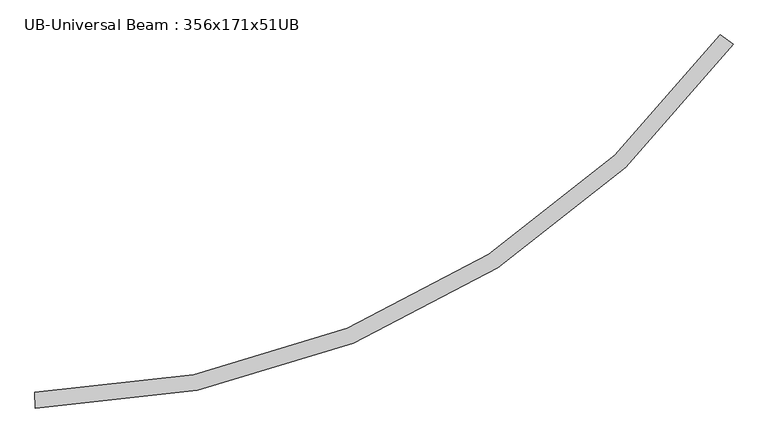
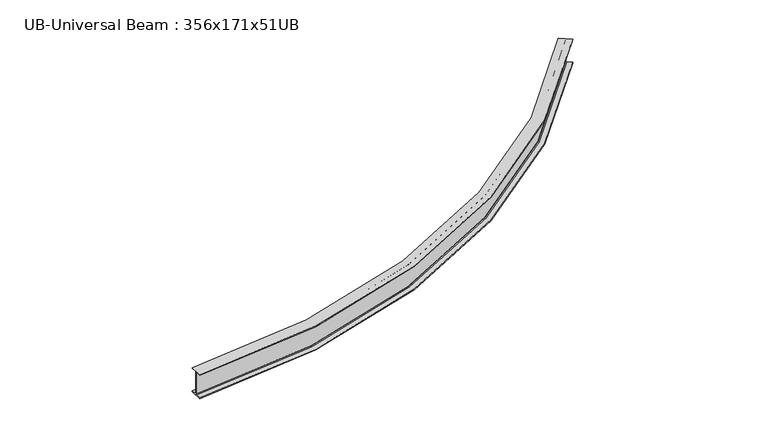
"""IFC4 building model written with IfcOpenShell, lengths in millimetres: beam geometry, UB-Universal Beam : 356x171x51UB."""

import ifcopenshell
import ifcopenshell.guid

model = None  # the IFC model being written
_history = None  # IfcOwnerHistory: only IFC2X3 demands one
_inside = {}  # id of a spatial element -> (the spatial element, [elements in it])
_under = {}  # id of a project, library or spatial element -> (it, [spatial elements below it])
_declared = {}  # id of a project -> (the project, [libraries it declares])
_typed = {}  # id of a type object -> (the type object, [elements of that type])
_made_of = {}  # id of a material, layer set ... -> (it, [elements and type objects made of it])


def new_model(schema):
    """Start an empty IFC model of exactly this schema.

    Asked for "IFC4X3", IfcOpenShell would pick the latest addendum, in which some entities
    have other attributes; the version numbers below select the first issue.
    IFC2X3 requires an IfcOwnerHistory on every rooted entity: one is made here for all.
    """
    global model, _history
    if schema == "IFC4X3":
        model = ifcopenshell.file(schema_version=(4, 3, 0, 0))
    else:
        model = ifcopenshell.file(schema=schema)
    _inside.clear()
    _under.clear()
    _declared.clear()
    _typed.clear()
    _made_of.clear()
    _history = None
    if model.schema == "IFC2X3":
        org = make("IfcOrganization", Name="unknown")
        user = make(
            "IfcPersonAndOrganization",
            ThePerson=make("IfcPerson", FamilyName="unknown"),
            TheOrganization=org,
        )
        app = make(
            "IfcApplication",
            ApplicationDeveloper=org,
            Version="unknown",
            ApplicationFullName="unknown",
            ApplicationIdentifier="unknown",
        )
        _history = make(
            "IfcOwnerHistory",
            OwningUser=user,
            OwningApplication=app,
            ChangeAction="ADDED",
            CreationDate=0,
        )
    return model


def make(cls, **values):
    """One entity of the class cls with the attributes given. An attribute that is None is left unset."""
    return model.create_entity(
        cls, **{name: value for name, value in values.items() if value is not None}
    )


def rooted(cls, **values):
    """An entity with a GlobalId (a new one), such as an element, a storey or a relation."""
    return make(cls, GlobalId=ifcopenshell.guid.new(), OwnerHistory=_history, **values)


def si_unit(unit_type, name, prefix=None):
    """IfcSIUnit, for example si_unit("LENGTHUNIT", "METRE", prefix="MILLI")."""
    return make("IfcSIUnit", UnitType=unit_type, Prefix=prefix, Name=name)


def assignment(units):
    """IfcUnitAssignment: the units of a project."""
    return None if units is None else make("IfcUnitAssignment", Units=units)


def point(xyz):
    """IfcCartesianPoint."""
    return None if xyz is None else make("IfcCartesianPoint", Coordinates=xyz)


def direction(xyz):
    """IfcDirection."""
    return None if xyz is None else make("IfcDirection", DirectionRatios=xyz)


def frame(location, z_axis=None, x_axis=None):
    """IfcAxis2Placement3D, a coordinate frame: its origin and axes. An axis left out is left unset."""
    return make(
        "IfcAxis2Placement3D",
        Location=point(location),
        Axis=direction(z_axis),
        RefDirection=direction(x_axis),
    )


def origin():
    """The frame at (0, 0, 0) with its axes left unset."""
    return frame((0.0, 0.0, 0.0))


def place(relative_to, where):
    """IfcLocalPlacement: puts the frame where relative to a parent placement (None: the world)."""
    return make(
        "IfcLocalPlacement", PlacementRelTo=relative_to, RelativePlacement=where
    )


def context(
    kind, dimensions, precision=None, world=None, true_north=None, identifier=None
):
    """IfcGeometricRepresentationContext, for example the 3D "Model" context."""
    return make(
        "IfcGeometricRepresentationContext",
        ContextIdentifier=identifier,
        ContextType=kind,
        CoordinateSpaceDimension=dimensions,
        Precision=precision,
        WorldCoordinateSystem=world,
        TrueNorth=true_north,
    )


def project(units=None, contexts=None):
    """IfcProject with its units and contexts."""
    return rooted(
        "IfcProject",
        Name="project",
        RepresentationContexts=contexts,
        UnitsInContext=assignment(units),
    )


def spatial(cls, under=None, at=None, **own):
    """A site, building, storey or space (cls), placed at a placement, below another one or the project."""
    s = rooted(cls, ObjectPlacement=at, **own)
    if under is not None:
        _under.setdefault(under.id(), (under, []))[1].append(s)
    return s


def polyline(points):
    """IfcPolyline through the points."""
    return make("IfcPolyline", Points=[point(p) for p in points])


def circle_curve(where, radius):
    """IfcCircle in the frame where."""
    return make("IfcCircle", Position=where, Radius=radius)


def ellipse_curve(where, semi_axis1, semi_axis2):
    """IfcEllipse in the frame where."""
    return make(
        "IfcEllipse", Position=where, SemiAxis1=semi_axis1, SemiAxis2=semi_axis2
    )


def trimmed(basis, trim1, trim2, sense, master):
    """IfcTrimmedCurve: the piece of a basis curve between two trims."""
    return make(
        "IfcTrimmedCurve",
        BasisCurve=basis,
        Trim1=trim1,
        Trim2=trim2,
        SenseAgreement=sense,
        MasterRepresentation=master,
    )


def shape(context_of_items, identifier, shape_type, items):
    """IfcShapeRepresentation: the items that make up one representation, for example the "Body"."""
    return make(
        "IfcShapeRepresentation",
        ContextOfItems=context_of_items,
        RepresentationIdentifier=identifier,
        RepresentationType=shape_type,
        Items=items,
    )


def source(mapping_origin, context_of_items, identifier, shape_type, items):
    """IfcRepresentationMap: a shape defined once, which mapped items show again and again."""
    return make(
        "IfcRepresentationMap",
        MappingOrigin=mapping_origin,
        MappedRepresentation=shape(context_of_items, identifier, shape_type, items),
    )


def transform(
    local_origin,
    x_axis=None,
    y_axis=None,
    z_axis=None,
    scale=None,
    scale2=None,
    scale3=None,
    uniform=True,
):
    """IfcCartesianTransformationOperator3D, or its non-uniform kind. x_axis, y_axis, z_axis: its Axis1, 2, 3."""
    if uniform:
        return make(
            "IfcCartesianTransformationOperator3D",
            Axis1=direction(x_axis),
            Axis2=direction(y_axis),
            LocalOrigin=point(local_origin),
            Scale=scale,
            Axis3=direction(z_axis),
        )
    return make(
        "IfcCartesianTransformationOperator3DnonUniform",
        Axis1=direction(x_axis),
        Axis2=direction(y_axis),
        LocalOrigin=point(local_origin),
        Scale=scale,
        Axis3=direction(z_axis),
        Scale2=scale2,
        Scale3=scale3,
    )


def mapped(mapping_source, mapping_target):
    """IfcMappedItem: shows the shape of a source again, moved by a transform."""
    return make(
        "IfcMappedItem", MappingSource=mapping_source, MappingTarget=mapping_target
    )


def made_of(thing, what):
    """Note that an element or type object is made of a material, layer set ...; save() writes the relation."""
    if what is not None:
        _made_of.setdefault(what.id(), (what, []))[1].append(thing)
    return thing


def element(
    cls,
    number,
    at=None,
    inside=None,
    cuts=None,
    type_object=None,
    material=None,
    context=None,
    identifier="Body",
    shape_type=None,
    held_by="IfcProductDefinitionShape",
    body=None,
    shapes=None,
    **own,
):
    """One element of the class cls, such as IfcWall. Its Tag is "e" and its number.

    at: its placement. inside: the storey or other place that contains it. cuts: it is an
    opening in that element (IfcRelVoidsElement). A single representation is given by context,
    identifier, shape_type and body (its items); several are given by shapes. held_by: the class
    of the entity that holds the representations. save() writes the other relations.
    """
    e = rooted(cls, Tag="e%d" % number, ObjectPlacement=at, **own)
    if body is not None:
        shapes = [shape(context, identifier, shape_type, body)]
    if shapes is not None:
        e.Representation = make(held_by, Representations=shapes)
    if inside is not None:
        _inside.setdefault(inside.id(), (inside, []))[1].append(e)
    if cuts is not None:
        rooted(
            "IfcRelVoidsElement", RelatingBuildingElement=cuts, RelatedOpeningElement=e
        )
    if type_object is not None:
        _typed.setdefault(type_object.id(), (type_object, []))[1].append(e)
    return made_of(e, material)


def aggregate(whole, parts):
    """IfcRelAggregates: a whole, such as a stair, and the parts it consists of."""
    return rooted("IfcRelAggregates", RelatingObject=whole, RelatedObjects=parts)


def save(model, path):
    """Write the relations noted so far, then the file.

    IfcRelAggregates (storeys below a building ...), IfcRelContainedInSpatialStructure (elements
    in a storey), IfcRelDefinesByType, IfcRelAssociatesMaterial and IfcRelDeclares: one each for
    every whole, place, type object, material and project.
    """
    for whole, parts in _under.values():
        aggregate(whole, parts)
    for where, things in _inside.values():
        rooted(
            "IfcRelContainedInSpatialStructure",
            RelatedElements=things,
            RelatingStructure=where,
        )
    for kind, things in _typed.values():
        rooted("IfcRelDefinesByType", RelatedObjects=things, RelatingType=kind)
    for what, things in _made_of.values():
        rooted("IfcRelAssociatesMaterial", RelatedObjects=things, RelatingMaterial=what)
    for by, libraries in _declared.values():
        rooted("IfcRelDeclares", RelatingContext=by, RelatedDefinitions=libraries)
    model.write(path)


def plane_surface(at):
    """IfcPlane: the flat surface through the origin of the frame at, square to its z axis."""
    return make("IfcPlane", Position=at)


def cylinder_surface(at, radius):
    """IfcCylindricalSurface: all points at the distance radius from the z axis of the frame at."""
    return make("IfcCylindricalSurface", Position=at, Radius=radius)


def revolved_surface(curve, axis_point, axis_direction):
    """IfcSurfaceOfRevolution: the curve turned about the line through axis_point along axis_direction."""
    return make(
        "IfcSurfaceOfRevolution",
        SweptCurve=make("IfcArbitraryOpenProfileDef", ProfileType="CURVE", Curve=curve),
        AxisPosition=make("IfcAxis1Placement", Location=point(axis_point), Axis=direction(axis_direction)),
    )


def advanced_brep(points, edges, surfaces, faces):
    """IfcAdvancedBrep: a solid bounded by faces that lie on surfaces and meet in shared edges.

    An edge is (start, end): straight between two places in points (the first is 0);
    or (start, end, curve); or (start, end, curve, False) where it runs against its curve.
    A face is (place in surfaces, loops), or (place, loops, False) where it looks against
    its surface's normal. A loop lists edges by number (the first is 1), with a minus sign
    where the edge is run from its end to its start. The first loop is the outer one.
    """
    corners = [point(p) for p in points]
    vertices = [make("IfcVertexPoint", VertexGeometry=c) for c in corners]
    made = []
    for start, end, *more in edges:
        made.append(
            make(
                "IfcEdgeCurve",
                EdgeStart=vertices[start],
                EdgeEnd=vertices[end],
                EdgeGeometry=more[0] if more else make("IfcPolyline", Points=[corners[start], corners[end]]),
                SameSense=more[1] if len(more) > 1 else True,
            )
        )
    hull = []
    for where, loops, *sense in faces:
        bounds = []
        for j, loop in enumerate(loops):
            ring = [make("IfcOrientedEdge", EdgeElement=made[abs(k) - 1], Orientation=k > 0) for k in loop]
            bounds.append(
                make(
                    "IfcFaceOuterBound" if j == 0 else "IfcFaceBound",
                    Bound=make("IfcEdgeLoop", EdgeList=ring),
                    Orientation=True,
                )
            )
        hull.append(make("IfcAdvancedFace", Bounds=bounds, FaceSurface=surfaces[where], SameSense=sense[0] if sense else True))
    return make("IfcAdvancedBrep", Outer=make("IfcClosedShell", CfsFaces=hull))


def ub_universal_beam_356x171x51ub_0003f411(model_context):
    return source(origin(), model_context, "Body", "AdvancedBrep", [
        advanced_brep(
        [(7453.0391297, 3896.5366, -166.0), (7511.2861057, 3854.4686516, -166.0), (7519.5549875, 3848.4965838, -155.8), (7519.5549875, 3848.4965838, 155.8), (7511.2861057, 3854.4686516, 166.0), (7453.0391297, 3896.5366, 166.0), (7453.0391297, 3896.5366, 177.5), (7592.0698379, 3796.1238908, 177.5), (7592.0698379, 3796.1238908, 166.0), (7533.8228619, 3838.1918393, 166.0), (7525.5539801, 3844.1639071, 155.8), (7525.5539801, 3844.1639071, -155.8), (7533.8228619, 3838.1918393, -166.0), (7592.0698379, 3796.1238908, -166.0), (7592.0698379, 3796.1238908, -177.5), (7453.0391297, 3896.5366, -177.5), (143.638913, 86.8721578, -166.0), (143.638913, 86.8721578, -177.5), (146.3183864, -84.6069092, -177.5), (146.3183864, -84.6069092, -166.0), (145.1958198, -12.7656791, -166.0), (145.0364576, -2.5669241, -155.8), (145.0364576, -2.5669241, 155.8), (145.1958198, -12.7656791, 166.0), (146.3183864, -84.6069092, 166.0), (146.3183864, -84.6069092, 177.5), (143.638913, 86.8721578, 177.5), (143.638913, 86.8721578, 166.0), (144.7614795, 15.0309277, 166.0), (144.9208418, 4.8321727, 155.8), (144.9208418, 4.8321727, -155.8), (144.7614795, 15.0309277, -166.0)],
        [
            (0, 1),
            (1, 2, circle_curve(frame((7511.2861057, 3854.4686516, -155.8), z_axis=(-0.5854968466959106, -0.8106746835254851, 0.0), x_axis=(0.8106746835254851, -0.5854968466959106, 0.0)), 10.2)),
            (2, 3),
            (3, 4, circle_curve(frame((7511.2861057, 3854.4686516, 155.8), z_axis=(-0.5854968466959106, -0.8106746835254851, 0.0), x_axis=(0.8106746835254851, -0.5854968466959106, 0.0)), 10.2)),
            (4, 5),
            (5, 6),
            (6, 7),
            (7, 8),
            (8, 9),
            (9, 10, circle_curve(frame((7533.8228619, 3838.1918393, 155.8), z_axis=(-0.5854968466959106, -0.8106746835254851, 0.0), x_axis=(0.8106746835254851, -0.5854968466959106, 0.0)), 10.2)),
            (10, 11),
            (11, 12, circle_curve(frame((7533.8228619, 3838.1918393, -155.8), z_axis=(-0.5854968466959106, -0.8106746835254851, 0.0), x_axis=(0.8106746835254851, -0.5854968466959106, 0.0)), 10.2)),
            (12, 13),
            (13, 14),
            (14, 15),
            (15, 0),
            (16, 17),
            (17, 18),
            (18, 19),
            (19, 20),
            (20, 21, circle_curve(frame((145.1958198, -12.7656791, -155.8), z_axis=(0.9998779417474206, 0.015623751372251412, 0.0), x_axis=(0.015623751372251412, -0.9998779417474206, 0.0)), 10.2)),
            (21, 22),
            (22, 23, circle_curve(frame((145.1958198, -12.7656791, 155.8), z_axis=(0.9998779417474206, 0.015623751372251412, 0.0), x_axis=(0.015623751372251412, -0.9998779417474206, 0.0)), 10.2)),
            (23, 24),
            (24, 25),
            (25, 26),
            (26, 27),
            (27, 28),
            (28, 29, circle_curve(frame((144.7614795, 15.0309277, 155.8), z_axis=(0.9998779417474206, 0.015623751372251412, 0.0), x_axis=(0.015623751372251412, -0.9998779417474206, 0.0)), 10.2)),
            (29, 30),
            (30, 31, circle_curve(frame((144.7614795, 15.0309277, -155.8), z_axis=(0.9998779417474206, 0.015623751372251412, 0.0), x_axis=(0.015623751372251412, -0.9998779417474206, 0.0)), 10.2)),
            (31, 16),
            (0, 16, circle_curve(frame((0.0, 9279.375114, -166.0), z_axis=(0.0, 0.0, -1.0), x_axis=(-0.9999979474994671, -0.002026079182298697, 0.0)), 9193.625114)),
            (31, 1, circle_curve(frame((0.0, 9279.375114, -166.0), z_axis=(0.0, 0.0, 1.0), x_axis=(-0.9999979474994671, -0.002026079182298697, 0.0)), 9265.475114)),
            (30, 2, circle_curve(frame((0.0, 9279.375114, -155.8), z_axis=(0.0, 0.0, 1.0), x_axis=(-0.9999979474994671, -0.002026079182298697, 0.0)), 9275.675114)),
            (29, 3, circle_curve(frame((0.0, 9279.375114, 155.8), z_axis=(0.0, 0.0, 1.0), x_axis=(-0.9999979474994671, -0.002026079182298697, 0.0)), 9275.675114)),
            (28, 4, circle_curve(frame((0.0, 9279.375114, 166.0), z_axis=(0.0, 0.0, 1.0), x_axis=(-0.9999979474994671, -0.002026079182298697, 0.0)), 9265.475114)),
            (27, 5, circle_curve(frame((0.0, 9279.375114, 166.0), z_axis=(0.0, 0.0, 1.0), x_axis=(-0.9999979474994671, -0.002026079182298697, 0.0)), 9193.625114)),
            (26, 6, circle_curve(frame((0.0, 9279.375114, 177.5), z_axis=(0.0, 0.0, 1.0), x_axis=(-0.9999979474994671, -0.002026079182298697, 0.0)), 9193.625114)),
            (25, 7, circle_curve(frame((0.0, 9279.375114, 177.5), z_axis=(0.0, 0.0, 1.0), x_axis=(-0.9999979474994671, -0.002026079182298697, 0.0)), 9365.125114)),
            (24, 8, circle_curve(frame((0.0, 9279.375114, 166.0), z_axis=(0.0, 0.0, 1.0), x_axis=(-0.9999979474994671, -0.002026079182298697, 0.0)), 9365.125114)),
            (23, 9, circle_curve(frame((0.0, 9279.375114, 166.0), z_axis=(0.0, 0.0, 1.0), x_axis=(-0.9999979474994671, -0.002026079182298697, 0.0)), 9293.275114)),
            (22, 10, circle_curve(frame((0.0, 9279.375114, 155.8), z_axis=(0.0, 0.0, 1.0), x_axis=(-0.9999979474994671, -0.002026079182298697, 0.0)), 9283.075114)),
            (21, 11, circle_curve(frame((0.0, 9279.375114, -155.8), z_axis=(0.0, 0.0, 1.0), x_axis=(-0.9999979474994671, -0.002026079182298697, 0.0)), 9283.075114)),
            (20, 12, circle_curve(frame((0.0, 9279.375114, -166.0), z_axis=(0.0, 0.0, 1.0), x_axis=(-0.9999979474994671, -0.002026079182298697, 0.0)), 9293.275114)),
            (19, 13, circle_curve(frame((0.0, 9279.375114, -166.0), z_axis=(0.0, 0.0, 1.0), x_axis=(-0.9999979474994671, -0.002026079182298697, 0.0)), 9365.125114)),
            (18, 14, circle_curve(frame((0.0, 9279.375114, -177.5), z_axis=(0.0, 0.0, 1.0), x_axis=(-0.9999979474994671, -0.002026079182298697, 0.0)), 9365.125114)),
            (17, 15, circle_curve(frame((0.0, 9279.375114, -177.5), z_axis=(0.0, 0.0, 1.0), x_axis=(-0.9999979474994671, -0.002026079182298697, 0.0)), 9193.625114)),
        ],
        [
            plane_surface(frame((7522.5544838, 3846.3302454, 0.0), z_axis=(0.5854968466959055, 0.8106746835254888, 0.0), x_axis=(0.0, 0.0, 1.0))),
            plane_surface(frame((144.9786497, 1.1326243, 0.0), z_axis=(-0.9998779417474205, -0.015623751372257692, 0.0), x_axis=(0.0, 0.0, 1.0))),
            plane_surface(frame((0.0, 9279.375114, -166.0), z_axis=(0.0, 0.0, 1.0), x_axis=(-0.9999979474994671, -0.002026079182298697, 0.0))),
            revolved_surface(trimmed(ellipse_curve(frame((-9265.4560966, 9260.6025277, -155.8), z_axis=(0.002026079182292417, -0.9999979474994671, 0.0), x_axis=(-0.9999979474994671, -0.002026079182292417, 0.0)), 10.2, 10.2), [point((-9275.6560756, 9260.5818617, -155.8))], [point((-9265.4560966, 9260.6025277, -166.0))], True, "CARTESIAN"), (0.0, 9279.375114, 0.0), (0.0, 0.0, 1.0)),
            revolved_surface(polyline([(-9275.656075671886, 9260.581861749759, 155.8), (-9275.656075671886, 9260.581861749759, -155.8)]), (0.0, 9279.375114, 0.0), (0.0, 0.0, 1.0)),
            revolved_surface(trimmed(ellipse_curve(frame((-9265.4560966, 9260.6025277, 155.8), z_axis=(0.002026079182292417, -0.9999979474994671, 0.0), x_axis=(-0.9999979474994671, -0.002026079182292417, 0.0)), 10.2, 10.2), [point((-9265.4560966, 9260.6025277, 166.0))], [point((-9275.6560756, 9260.5818617, 155.8))], True, "CARTESIAN"), (0.0, 9279.375114, 0.0), (0.0, 0.0, 1.0)),
            plane_surface(frame((0.0, 9279.375114, 166.0), z_axis=(0.0, 0.0, -1.0), x_axis=(-0.9999979474994671, -0.002026079182298697, 0.0))),
            revolved_surface(polyline([(-9193.606244079554, 9260.748101546667, 177.5), (-9193.606244079554, 9260.748101546667, 166.0)]), (0.0, 9279.375114, 0.0), (0.0, 0.0, 1.0)),
            plane_surface(frame((0.0, 9279.375114, 177.5), z_axis=(0.0, 0.0, 1.0), x_axis=(-0.9999979474994671, -0.002026079182298697, 0.0))),
            cylinder_surface(frame((0.0, 9279.375114, 0.0), z_axis=(0.0, 0.0, 1.0), x_axis=(-0.9999979474994671, -0.002026079182298697, 0.0)), 9365.125114),
            revolved_surface(trimmed(ellipse_curve(frame((-9293.2560395, 9260.5462027, 155.8), z_axis=(0.002026079182292417, -0.9999979474994671, 0.0), x_axis=(-0.9999979474994671, -0.002026079182292417, 0.0)), 10.2, 10.2), [point((-9283.0560604, 9260.5668687, 155.8))], [point((-9293.2560395, 9260.5462027, 166.0))], True, "CARTESIAN"), (0.0, 9279.375114, 0.0), (0.0, 0.0, 1.0)),
            cylinder_surface(frame((0.0, 9279.375114, 0.0), z_axis=(0.0, 0.0, 1.0), x_axis=(-0.9999979474994671, -0.002026079182298697, 0.0)), 9283.075114),
            revolved_surface(trimmed(ellipse_curve(frame((-9293.2560395, 9260.5462027, -155.8), z_axis=(0.002026079182292417, -0.9999979474994671, 0.0), x_axis=(-0.9999979474994671, -0.002026079182292417, 0.0)), 10.2, 10.2), [point((-9293.2560395, 9260.5462027, -166.0))], [point((-9283.0560604, 9260.5668687, -155.8))], True, "CARTESIAN"), (0.0, 9279.375114, 0.0), (0.0, 0.0, 1.0)),
            plane_surface(frame((0.0, 9279.375114, -177.5), z_axis=(0.0, 0.0, -1.0), x_axis=(-0.9999979474994671, -0.002026079182298697, 0.0))),
            revolved_surface(polyline([(-9193.606244079554, 9260.748101546667, -166.0), (-9193.606244079554, 9260.748101546667, -177.5)]), (0.0, 9279.375114, 0.0), (0.0, 0.0, 1.0)),
        ],
        [
            (0, [[1, 2, 3, 4, 5, 6, 7, 8, 9, 10, 11, 12, 13, 14, 15, 16]]),
            (1, [[17, 18, 19, 20, 21, 22, 23, 24, 25, 26, 27, 28, 29, 30, 31, 32]]),
            (2, [[-1, 33, -32, 34]]),
            (3, [[-2, -34, -31, 35]]),
            (4, [[-3, -35, -30, 36]]),
            (5, [[-4, -36, -29, 37]]),
            (6, [[-5, -37, -28, 38]]),
            (7, [[-6, -38, -27, 39]]),
            (8, [[-7, -39, -26, 40]]),
            (9, [[-8, -40, -25, 41]]),
            (6, [[-9, -41, -24, 42]]),
            (10, [[-10, -42, -23, 43]]),
            (11, [[-11, -43, -22, 44]]),
            (12, [[-12, -44, -21, 45]]),
            (2, [[-13, -45, -20, 46]]),
            (9, [[-14, -46, -19, 47]]),
            (13, [[-15, -47, -18, 48]]),
            (14, [[-16, -48, -17, -33]]),
        ],
    ),
    ])


if __name__ == "__main__":
    model = new_model("IFC4")
    model_context = context("Model", 3, world=origin())
    ifc_project = project(units=[si_unit("LENGTHUNIT", "METRE", prefix="MILLI")], contexts=[model_context])
    site = spatial("IfcSite", under=ifc_project)
    building = spatial("IfcBuilding", under=site)
    placement = place(None, origin())
    ub_universal_beam_356x171x51ub_shape = ub_universal_beam_356x171x51ub_0003f411(model_context)
    element("IfcBeam", 1, ObjectType="UB-Universal Beam : 356x171x51UB", at=placement, inside=building, context=model_context, shape_type="MappedRepresentation", body=[
        mapped(ub_universal_beam_356x171x51ub_shape, transform((0.0, 0.0, 0.0), x_axis=(1.0, 0.0, 0.0), y_axis=(0.0, 1.0, 0.0), z_axis=(0.0, 0.0, 1.0))),
    ])
    save(model, "model.ifc")
